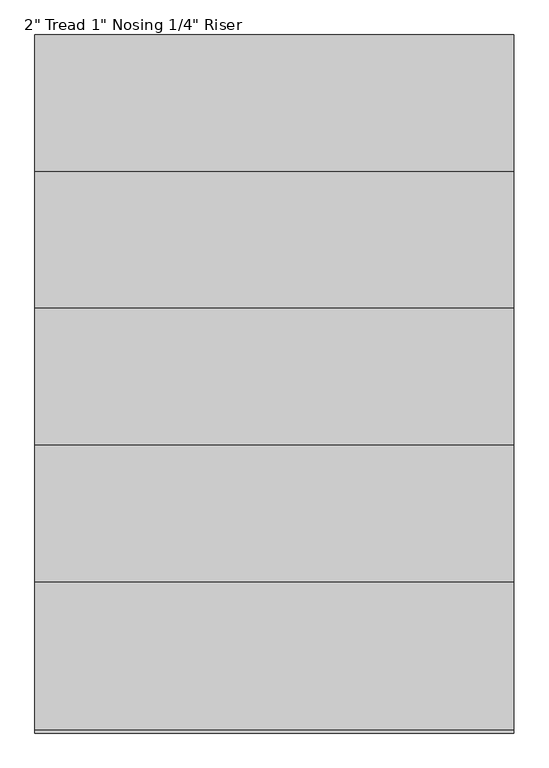
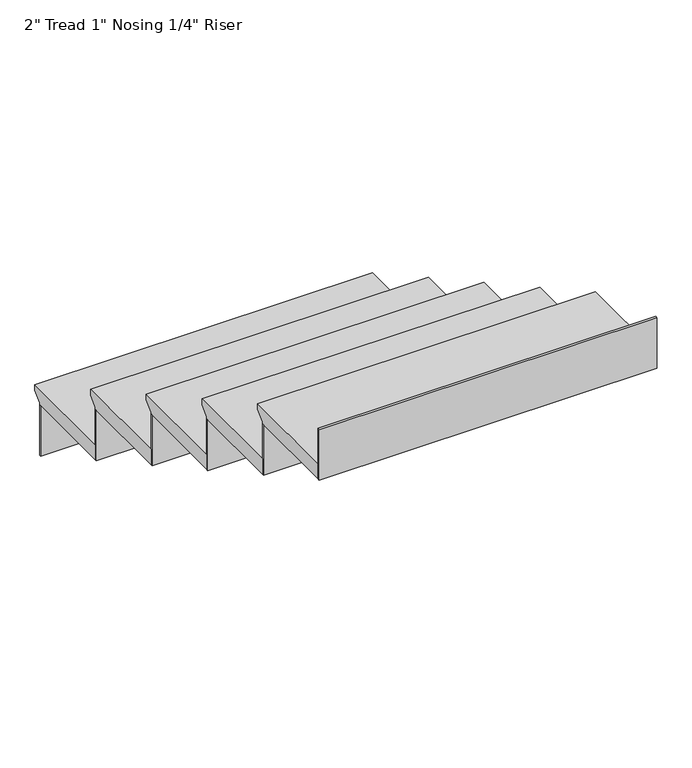
"""IFC4 building model written with IfcOpenShell, lengths in millimetres: stair flight geometry."""

from ifc_helpers import new_model, si_unit, frame, origin, place, context, project, spatial, polyline, outline, extrude, source, transform, mapped, element, save


def stair_flight_18ccc57a(model_context):
    return source(origin(), model_context, "Body", "SweptSolid", [
        extrude(outline(polyline([(-8119.6798674, 2026.0235294), (-7789.4798674, 2026.0235294), (-7789.4798674, 2006.9735294), (-7814.8798674, 1981.5735294), (-7814.8798674, 1975.2235294), (-8119.6798674, 1975.2235294), (-8119.6798674, 2026.0235294)])), frame((28419.236035, 0.0, 0.0), z_axis=(1.0, 0.0, 0.0), x_axis=(0.0, 1.0, 0.0)), (0.0, 0.0, 1.0), 1066.8),
        extrude(outline(polyline([(28419.236035, -7821.2298674), (28419.236035, -7814.8798674), (29486.036035, -7814.8798674), (29486.036035, -7821.2298674), (28419.236035, -7821.2298674)])), frame((0.0, 0.0, 1806.3882353), z_axis=(0.0, 0.0, 1.0), x_axis=(1.0, 0.0, 0.0)), (0.0, 0.0, 1.0), 168.8352941),
        extrude(outline(polyline([(28419.236035, -8126.0298674), (28419.236035, -8119.6798674), (29486.036035, -8119.6798674), (29486.036035, -8126.0298674), (28419.236035, -8126.0298674)])), frame((0.0, 0.0, 1975.2235294), z_axis=(0.0, 0.0, 1.0), x_axis=(1.0, 0.0, 0.0)), (0.0, 0.0, 1.0), 168.8352941),
        extrude(outline(polyline([(-8424.4798674, 2194.8588235), (-8094.2798674, 2194.8588235), (-8094.2798674, 2175.8088235), (-8119.6798674, 2150.4088235), (-8119.6798674, 2144.0588235), (-8424.4798674, 2144.0588235), (-8424.4798674, 2194.8588235)])), frame((28419.236035, 0.0, 0.0), z_axis=(1.0, 0.0, 0.0), x_axis=(0.0, 1.0, 0.0)), (0.0, 0.0, 1.0), 1066.8),
        extrude(outline(polyline([(28419.236035, -8430.8298674), (28419.236035, -8424.4798674), (29486.036035, -8424.4798674), (29486.036035, -8430.8298674), (28419.236035, -8430.8298674)])), frame((0.0, 0.0, 2144.0588235), z_axis=(0.0, 0.0, 1.0), x_axis=(1.0, 0.0, 0.0)), (0.0, 0.0, 1.0), 168.8352941),
        extrude(outline(polyline([(-8729.2798674, 2363.6941176), (-8399.0798674, 2363.6941176), (-8399.0798674, 2344.6441176), (-8424.4798674, 2319.2441176), (-8424.4798674, 2312.8941176), (-8729.2798674, 2312.8941176), (-8729.2798674, 2363.6941176)])), frame((28419.236035, 0.0, 0.0), z_axis=(1.0, 0.0, 0.0), x_axis=(0.0, 1.0, 0.0)), (0.0, 0.0, 1.0), 1066.8),
        extrude(outline(polyline([(28419.236035, -8735.6298674), (28419.236035, -8729.2798674), (29486.036035, -8729.2798674), (29486.036035, -8735.6298674), (28419.236035, -8735.6298674)])), frame((0.0, 0.0, 2312.8941176), z_axis=(0.0, 0.0, 1.0), x_axis=(1.0, 0.0, 0.0)), (0.0, 0.0, 1.0), 168.8352941),
        extrude(outline(polyline([(-9034.0798674, 2532.5294118), (-8703.8798674, 2532.5294118), (-8703.8798674, 2513.4794118), (-8729.2798674, 2488.0794118), (-8729.2798674, 2481.7294118), (-9034.0798674, 2481.7294118), (-9034.0798674, 2532.5294118)])), frame((28419.236035, 0.0, 0.0), z_axis=(1.0, 0.0, 0.0), x_axis=(0.0, 1.0, 0.0)), (0.0, 0.0, 1.0), 1066.8),
        extrude(outline(polyline([(28419.236035, -9040.4298674), (28419.236035, -9034.0798674), (29486.036035, -9034.0798674), (29486.036035, -9040.4298674), (28419.236035, -9040.4298674)])), frame((0.0, 0.0, 2481.7294118), z_axis=(0.0, 0.0, 1.0), x_axis=(1.0, 0.0, 0.0)), (0.0, 0.0, 1.0), 168.8352941),
        extrude(outline(polyline([(28419.236035, -9345.2298674), (28419.236035, -9338.8798674), (29486.036035, -9338.8798674), (29486.036035, -9345.2298674), (28419.236035, -9345.2298674)])), frame((0.0, 0.0, 2650.5647059), z_axis=(0.0, 0.0, 1.0), x_axis=(1.0, 0.0, 0.0)), (0.0, 0.0, 1.0), 168.8352941),
        extrude(outline(polyline([(-9338.8798674, 2701.3647059), (-9008.6798674, 2701.3647059), (-9008.6798674, 2682.3147059), (-9034.0798674, 2656.9147059), (-9034.0798674, 2650.5647059), (-9338.8798674, 2650.5647059), (-9338.8798674, 2701.3647059)])), frame((28419.236035, 0.0, 0.0), z_axis=(1.0, 0.0, 0.0), x_axis=(0.0, 1.0, 0.0)), (0.0, 0.0, 1.0), 1066.8),
    ])


if __name__ == "__main__":
    model = new_model("IFC4")
    model_context = context("Model", 3, world=origin())
    ifc_project = project(units=[si_unit("LENGTHUNIT", "METRE", prefix="MILLI")], contexts=[model_context])
    site = spatial("IfcSite", under=ifc_project)
    building = spatial("IfcBuilding", under=site)
    placement = place(None, origin())
    stair_flight_shape = stair_flight_18ccc57a(model_context)
    element("IfcStairFlight", 1, ObjectType="2\" Tread 1\" Nosing 1/4\" Riser", at=placement, inside=building, context=model_context, shape_type="MappedRepresentation", body=[
        mapped(stair_flight_shape, transform((0.0, 0.0, 0.0), x_axis=(1.0, 0.0, 0.0), y_axis=(0.0, 1.0, 0.0), z_axis=(0.0, 0.0, 1.0))),
    ])
    save(model, "model.ifc")
